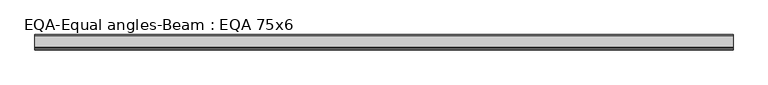
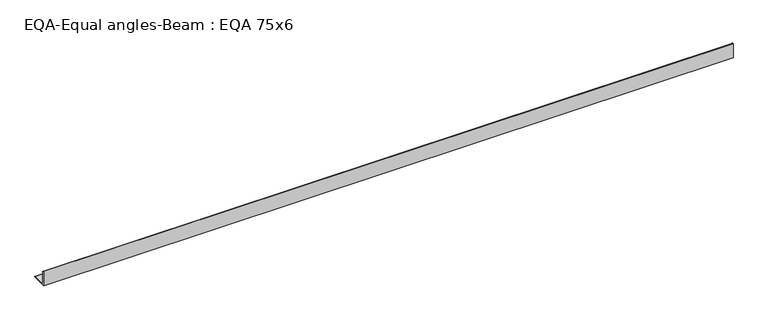
"""IFC4 building model written with IfcOpenShell, lengths in millimetres: beam geometry, EQA-Equal angles-Beam : EQA 75x6."""

from ifc_helpers import new_model, si_unit, point, frame, frame_2d, origin, place, context, project, spatial, polyline, circle_curve, trimmed, segment, composite_curve, outline, extrude, source, transform, mapped, element, save


def eqa_equal_angles_beam_eqa_75x6_b6e4106a(model_context):
    return source(origin(), model_context, "Body", "SweptSolid", [
        extrude(outline(composite_curve([segment(polyline([(-20.5, -20.5), (-20.5, 54.5), (-19.0, 54.5)]), True, "CONTINUOUS"), segment(trimmed(circle_curve(frame_2d((-19.0, 50.0)), 4.5), [point((-19.0, 54.5))], [point((-14.5, 50.0))], False, "CARTESIAN"), True, "CONTINUOUS"), segment(polyline([(-14.5, 50.0), (-14.5, -5.5)]), True, "CONTINUOUS"), segment(trimmed(circle_curve(frame_2d((-5.5, -5.5)), 9.0), [point((-14.5, -5.5))], [point((-5.5, -14.5))], True, "CARTESIAN"), True, "CONTINUOUS"), segment(polyline([(-5.5, -14.5), (50.0, -14.5)]), True, "CONTINUOUS"), segment(trimmed(circle_curve(frame_2d((50.0, -19.0)), 4.5), [point((50.0, -14.5))], [point((54.5, -19.0))], False, "CARTESIAN"), True, "CONTINUOUS"), segment(polyline([(54.5, -19.0), (54.5, -20.5), (-20.5, -20.5)]), True, "CONTINUOUS")], self_intersect=False)), frame((-1743.1527108, 0.0, 0.0), z_axis=(1.0, 0.0, 0.0), x_axis=(0.0, 1.0, 0.0)), (0.0, 0.0, 1.0), 3438.5376345),
    ])


if __name__ == "__main__":
    model = new_model("IFC4")
    model_context = context("Model", 3, world=origin())
    ifc_project = project(units=[si_unit("LENGTHUNIT", "METRE", prefix="MILLI")], contexts=[model_context])
    site = spatial("IfcSite", under=ifc_project)
    building = spatial("IfcBuilding", under=site)
    placement = place(None, origin())
    eqa_equal_angles_beam_eqa_75x6_shape = eqa_equal_angles_beam_eqa_75x6_b6e4106a(model_context)
    element("IfcBeam", 1, ObjectType="EQA-Equal angles-Beam : EQA 75x6", at=placement, inside=building, context=model_context, shape_type="MappedRepresentation", body=[
        mapped(eqa_equal_angles_beam_eqa_75x6_shape, transform((0.0, 0.0, 0.0), x_axis=(1.0, 0.0, 0.0), y_axis=(0.0, 1.0, 0.0), z_axis=(0.0, 0.0, 1.0))),
    ])
    save(model, "model.ifc")
